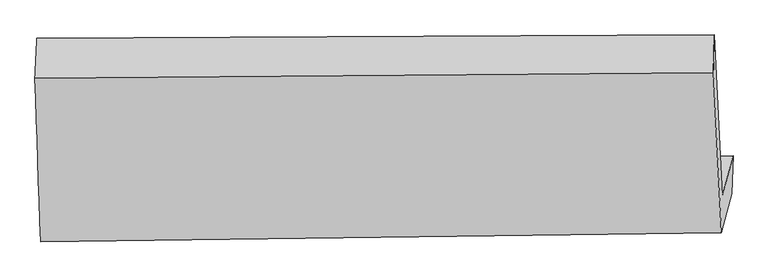
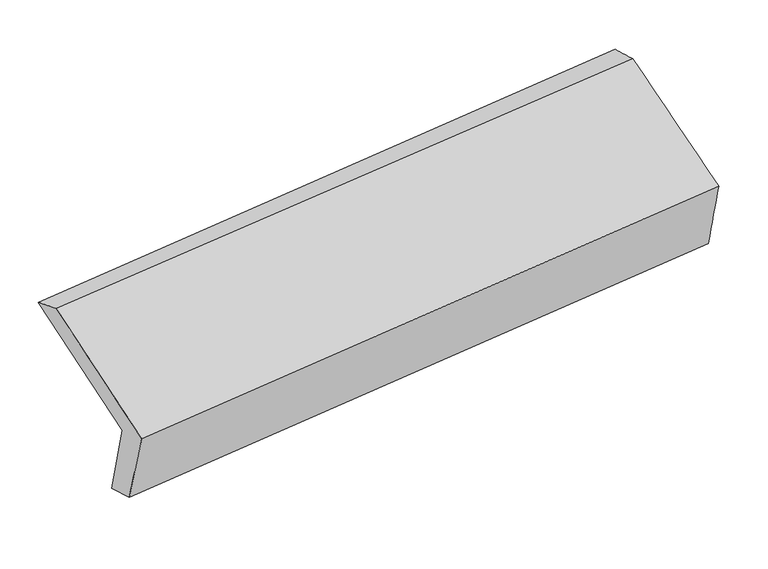
"""IFC4 building model written with IfcOpenShell, lengths in millimetres: proxy geometry."""

from ifc_helpers import new_model, si_unit, frame, origin, place, context, project, spatial, source, transform, mapped, element, save
from ifc_brep_helpers import plane_surface, spline_surface, advanced_brep


def generic_models_37462057(model_context):
    return source(origin(), model_context, "Body", "AdvancedBrep", [
        advanced_brep(
        [(-4283.2157355, -1709.5401451, 1794.5874061), (-4306.5861734, -1039.587661, 2059.1147923), (-1476.6936987, -1025.4885282, 2368.549999), (-1443.7166088, -1696.4197115, 2104.663877), (-4238.5262239, -1543.6226394, 1378.3264161), (-1399.0270972, -1530.5022058, 1688.4028869), (-4244.9471194, -1702.7727161, 1429.7577476), (-1403.8184932, -1688.0308554, 1740.6554453), (-4291.3755427, -1889.9869174, 1861.2971696), (-1448.1134586, -1852.4835405, 2153.2414303), (-4315.1977772, -1207.0829321, 2130.9383912), (-1481.0132337, -1183.1253577, 2416.5088703)],
        [
            (0, 1),
            (1, 2),
            (2, 3),
            (3, 0),
            (4, 0),
            (3, 5),
            (5, 4),
            (6, 4),
            (5, 7),
            (7, 6),
            (8, 6),
            (7, 9),
            (9, 8),
            (10, 8),
            (9, 11),
            (11, 10),
            (1, 10),
            (11, 2),
        ],
        [
            plane_surface(frame((-4294.9009545, -1374.5639031, 1926.8510992), z_axis=(0.0992367932443252, 0.3684336799149848, -0.9243422971880524), x_axis=(-0.04569269899609405, 0.929634987179497, 0.3656377549846691))),
            plane_surface(frame((-4260.8709797, -1626.5813923, 1586.4569111), z_axis=(-0.04424099202485506, 0.9296426866360087, 0.3657966782364771), x_axis=(-0.09923679324447279, -0.36843367991498616, 0.924342297188036))),
            spline_surface(1, 1, [[(-4244.9471194, -1702.7727161, 1429.7577476), (-1403.8184932, -1688.0308554, 1740.6554453)], [(-4238.5262239, -1543.6226394, 1378.3264161), (-1399.0270972, -1530.5022058, 1688.4028869)]], [2, 2], [2, 2], [0.0, 1.0], [0.0, 1.0]),
            spline_surface(1, 1, [[(-4291.3755427, -1889.9869174, 1861.2971696), (-1448.1134586, -1852.4835405, 2153.2414303)], [(-4244.9471194, -1702.7727161, 1429.7577476), (-1403.8184932, -1688.0308554, 1740.6554453)]], [2, 2], [2, 2], [0.0, 1.0], [0.0, 1.0]),
            spline_surface(1, 1, [[(-4315.1977772, -1207.0829321, 2130.9383912), (-1481.0132337, -1183.1253577, 2416.5088703)], [(-4291.3755427, -1889.9869174, 1861.2971696), (-1448.1134586, -1852.4835405, 2153.2414303)]], [2, 2], [2, 2], [0.0, 1.0], [0.0, 1.0]),
            spline_surface(1, 1, [[(-4306.5861734, -1039.587661, 2059.1147923), (-1476.6936987, -1025.4885282, 2368.549999)], [(-4315.1977772, -1207.0829321, 2130.9383912), (-1481.0132337, -1183.1253577, 2416.5088703)]], [2, 2], [2, 2], [0.0, 1.0], [0.0, 1.0]),
            plane_surface(frame((-1442.063765, -1496.0083665, 2078.6704181), z_axis=(0.9940142031807706, 0.005950976060461237, 0.1090887242515266), x_axis=(0.0992367932442757, 0.36843367991509374, -0.9243422971880142))),
            plane_surface(frame((-4279.974762, -1515.4321685, 1775.6703205), z_axis=(-0.9945352773401844, 0.006450387885822473, -0.10420160565943735), x_axis=(0.03242901467002059, -0.9296316560877385, -0.36706040784467686))),
        ],
        [
            (0, [[1, 2, 3, 4]]),
            (1, [[5, -4, 6, 7]]),
            (2, [[8, -7, 9, 10]]),
            (3, [[11, -10, 12, 13]]),
            (4, [[14, -13, 15, 16]]),
            (5, [[17, -16, 18, -2]]),
            (6, [[-12, -9, -6, -3, -18, -15]]),
            (7, [[-1, -5, -8, -11, -14, -17]]),
        ],
    ),
    ])


if __name__ == "__main__":
    model = new_model("IFC4")
    model_context = context("Model", 3, world=origin())
    ifc_project = project(units=[si_unit("LENGTHUNIT", "METRE", prefix="MILLI")], contexts=[model_context])
    site = spatial("IfcSite", under=ifc_project)
    building = spatial("IfcBuilding", under=site)
    placement = place(None, origin())
    generic_models_shape = generic_models_37462057(model_context)
    element("IfcBuildingElementProxy", 1, Name="Generic Models", at=placement, inside=building, context=model_context, shape_type="MappedRepresentation", body=[
        mapped(generic_models_shape, transform((0.0, 0.0, 0.0), x_axis=(1.0, 0.0, 0.0), y_axis=(0.0, 1.0, 0.0), z_axis=(0.0, 0.0, 1.0))),
    ])
    save(model, "model.ifc")
